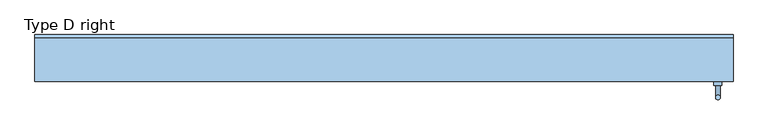
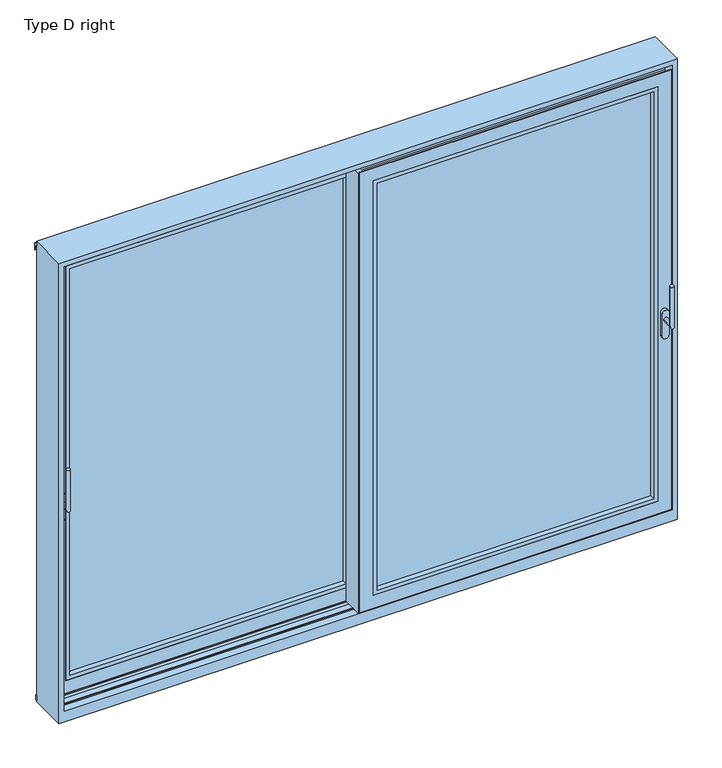
"""IFC4 building model written with IfcOpenShell, lengths in millimetres: window geometry, Type D right."""

from ifc_helpers import new_model, si_unit, point, frame, frame_2d, origin, place, context, project, spatial, polyline, circle_curve, ellipse_curve, trimmed, segment, composite_curve, outline, extrude, faceted_brep, source, transform, mapped, element, save
from ifc_brep_helpers import plane_surface, cylinder_surface, advanced_brep


def type_d_right_c8cfe82b(model_context):
    return source(origin(), model_context, "Body", "SolidModel", [
        advanced_brep(
        [(-1435.0, -6.0, 995.0), (-1415.0, -6.0, 995.0), (-1435.0, -58.0, 995.0), (-1415.0, -58.0, 995.0), (-1435.0, -58.0, 1195.0), (-1415.0, -58.0, 1195.0)],
        [
            (0, 1, circle_curve(frame((-1425.0, -6.0, 995.0), z_axis=(0.0, 1.0, 0.0), x_axis=(1.0000000000000009, 0.0, 0.0)), 10.0)),
            (1, 0, circle_curve(frame((-1425.0, -6.0, 995.0), z_axis=(0.0, 1.0, 0.0), x_axis=(1.0000000000000009, 0.0, 0.0)), 10.0)),
            (0, 2),
            (2, 3, ellipse_curve(frame((-1425.0, -58.0, 995.0), z_axis=(0.0, 0.7071067811865475, -0.7071067811865475), x_axis=(0.0, 0.7071067811865476, 0.7071067811865474)), 14.1421356, 10.0)),
            (3, 1),
            (3, 2, ellipse_curve(frame((-1425.0, -58.0, 995.0), z_axis=(0.0, 0.7071067811865475, -0.7071067811865475), x_axis=(0.0, 0.7071067811865476, 0.7071067811865474)), 14.1421356, 10.0)),
            (4, 5, circle_curve(frame((-1425.0, -58.0, 1195.0), z_axis=(0.0, 0.0, 1.0), x_axis=(1.0000000000000009, 0.0, 0.0)), 10.0)),
            (5, 4, circle_curve(frame((-1425.0, -58.0, 1195.0), z_axis=(0.0, 0.0, 1.0), x_axis=(1.0000000000000009, 0.0, 0.0)), 10.0)),
            (2, 4),
            (5, 3),
        ],
        [
            plane_surface(frame((-1425.0, -6.0, 995.0), z_axis=(0.0, 1.0, 0.0), x_axis=(1.0, 0.0, 0.0))),
            cylinder_surface(frame((-1425.0, -6.0, 995.0), z_axis=(0.0, 1.0000000000000009, 0.0), x_axis=(1.0000000000000009, 0.0, 0.0)), 10.0),
            plane_surface(frame((-1425.0, -58.0, 1195.0), z_axis=(0.0, 0.0, 1.0), x_axis=(1.0, 0.0, 0.0))),
            cylinder_surface(frame((-1425.0, -58.0, 995.0), z_axis=(0.0, 0.0, -1.0), x_axis=(1.0000000000000009, 0.0, 0.0)), 10.0),
        ],
        [
            (0, [[1, 2]]),
            (1, [[-1, 3, 4, 5]]),
            (1, [[-2, -5, 6, -3]]),
            (2, [[7, 8]]),
            (3, [[-4, 9, -8, 10]]),
            (3, [[-6, -10, -7, -9]]),
        ],
    ),
        extrude(outline(composite_curve([segment(trimmed(circle_curve(frame_2d((913.2823932, -1425.0)), 16.75), [point((913.2823932, -1441.75))], [point((913.2823932, -1408.25))], False, "CARTESIAN"), True, "CONTINUOUS"), segment(polyline([(913.2823932, -1408.25), (1025.0099288, -1408.25)]), True, "CONTINUOUS"), segment(trimmed(circle_curve(frame_2d((1025.0099288, -1425.0)), 16.75), [point((1025.0099288, -1408.25))], [point((1025.0099288, -1441.75))], False, "CARTESIAN"), True, "CONTINUOUS"), segment(polyline([(1025.0099288, -1441.75), (913.2823932, -1441.75)]), True, "CONTINUOUS")], self_intersect=False)), frame((0.0, -6.0, 0.0), z_axis=(0.0, 1.0, 0.0), x_axis=(0.0, 0.0, 1.0)), (0.0, 0.0, 1.0), 16.0),
        extrude(outline(polyline([(-1446.5, 87.0), (-1446.5, 80.0), (-1465.0, 80.0), (-1465.0, 87.0), (-1446.5, 87.0)])), frame((0.0, 0.0, 18.5), z_axis=(0.0, 0.0, 1.0), x_axis=(1.0, 0.0, 0.0)), (0.0, 0.0, 1.0), 2211.5),
        extrude(outline(polyline([(-1446.5, 20.0), (-1446.5, 13.0), (-1465.0, 13.0), (-1465.0, 20.0), (-1446.5, 20.0)])), frame((0.0, 0.0, 18.5), z_axis=(0.0, 0.0, 1.0), x_axis=(1.0, 0.0, 0.0)), (0.0, 0.0, 1.0), 2211.5),
        extrude(outline(polyline([(0.0, -9.0), (0.0, -6.0013087), (6.0, -6.0013087), (6.0, 4.0), (-8.5, 4.0), (-8.5, 10.0), (39.5, 10.0), (39.5, 13.0), (24.5, 13.0), (24.5, 87.0), (41.5, 87.0), (41.5, 90.0), (47.5, 90.0), (47.5, -9.0), (0.0, -9.0)])), frame((0.0, 0.0, 3.5), z_axis=(0.0, 0.0, 1.0), x_axis=(1.0, 0.0, 0.0)), (0.0, 0.0, 1.0), 2241.5),
        faceted_brep([(-1461.5, 87.0, 2245.0), (-1461.5, 90.0, 2245.0), (-1461.5, 90.0, 3.5), (-1461.5, 87.0, 3.5), (39.5, 90.0, 3.5), (39.5, 87.0, 3.5), (39.5, 90.0, 2245.0), (-45.5, 90.0, 88.5), (-45.5, 90.0, 2160.0), (-1376.5, 90.0, 2160.0), (-1376.5, 90.0, 88.5), (39.5, 87.0, 2245.0), (-1446.5, 87.0, 18.5), (-1446.5, 87.0, 2230.0), (24.5, 87.0, 2230.0), (24.5, 87.0, 18.5), (-1461.5, 13.0, 3.5), (-1461.5, 13.0, 2245.0), (39.5, 13.0, 2245.0), (39.5, 13.0, 3.5), (24.5, 13.0, 18.5), (24.5, 13.0, 2230.0), (-1446.5, 13.0, 2230.0), (-1446.5, 13.0, 18.5), (-1461.5, 10.0, 2245.0), (-1461.5, 10.0, 3.5), (39.5, 10.0, 3.5), (39.5, 10.0, 2245.0), (-1396.5, 10.0, 68.5), (-1396.5, 10.0, 2180.0), (-25.5, 10.0, 2180.0), (-25.5, 10.0, 68.5), (-1396.5, 82.0, 2180.0), (-1396.5, 82.0, 68.5), (-25.5, 82.0, 68.5), (-25.5, 82.0, 2180.0), (-1376.5, 82.0, 88.5), (-1376.5, 82.0, 2160.0), (-45.5, 82.0, 2160.0), (-45.5, 82.0, 88.5)], [[[0, 1, 2, 3]], [[3, 2, 4, 5]], [[2, 1, 6, 4], [7, 8, 9, 10]], [[5, 4, 6, 11]], [[5, 11, 0, 3], [12, 13, 14, 15]], [[16, 17, 18, 19], [20, 21, 22, 23]], [[24, 17, 16, 25]], [[25, 16, 19, 26]], [[26, 19, 18, 27]], [[26, 27, 24, 25], [28, 29, 30, 31]], [[32, 29, 28, 33]], [[33, 28, 31, 34]], [[34, 31, 30, 35]], [[34, 35, 32, 33], [36, 37, 38, 39]], [[9, 37, 36, 10]], [[10, 36, 39, 7]], [[7, 39, 38, 8]], [[11, 6, 1, 0]], [[27, 18, 17, 24]], [[35, 30, 29, 32]], [[8, 38, 37, 9]], [[22, 13, 12, 23]], [[20, 15, 14, 21]], [[23, 12, 15, 20]], [[21, 14, 13, 22]]]),
        extrude(outline(polyline([(2180.0, -1396.5), (68.5, -1396.5), (68.5, -25.5), (2180.0, -25.5), (2180.0, -1396.5)]), holes=[polyline([(2160.0, -45.5), (88.5, -45.5), (88.5, -1376.5), (2160.0, -1376.5), (2160.0, -45.5)])]), frame((0.0, 10.5, 0.0), z_axis=(0.0, 1.0, 0.0), x_axis=(0.0, 0.0, 1.0)), (0.0, 0.0, 1.0), 25.5),
        extrude(outline(polyline([(-1396.5, 82.0), (-25.5, 82.0), (-25.5, 36.0), (-1396.5, 36.0), (-1396.5, 82.0)])), frame((0.0, 0.0, 68.5), z_axis=(0.0, 0.0, 1.0), x_axis=(1.0, 0.0, 0.0)), (0.0, 0.0, 1.0), 2111.5),
        extrude(outline(polyline([(24.5, 59.0), (24.5, 41.0), (-1446.5, 41.0), (-1446.5, 59.0), (24.5, 59.0)])), frame((0.0, 0.0, 2230.0), z_axis=(0.0, 0.0, 1.0), x_axis=(1.0, 0.0, 0.0)), (0.0, 0.0, 1.0), 20.0),
        advanced_brep(
        [(1435.0, -111.0, 995.0), (1415.0, -111.0, 995.0), (1415.0, -163.0, 995.0), (1435.0, -163.0, 995.0), (1435.0, -163.0, 1195.0), (1415.0, -163.0, 1195.0)],
        [
            (0, 1, circle_curve(frame((1425.0, -111.0, 995.0), z_axis=(0.0, 1.0, 0.0), x_axis=(-1.0000000000000009, 0.0, 0.0)), 10.0)),
            (1, 0, circle_curve(frame((1425.0, -111.0, 995.0), z_axis=(0.0, 1.0, 0.0), x_axis=(-1.0000000000000009, 0.0, 0.0)), 10.0)),
            (1, 2),
            (2, 3, ellipse_curve(frame((1425.0, -163.0, 995.0), z_axis=(0.0, 0.7071067811865475, -0.7071067811865475), x_axis=(0.0, 0.7071067811865476, 0.7071067811865474)), 14.1421356, 10.0)),
            (3, 0),
            (3, 2, ellipse_curve(frame((1425.0, -163.0, 995.0), z_axis=(0.0, 0.7071067811865475, -0.7071067811865475), x_axis=(0.0, 0.7071067811865476, 0.7071067811865474)), 14.1421356, 10.0)),
            (4, 5, circle_curve(frame((1425.0, -163.0, 1195.0), z_axis=(0.0, 0.0, 1.0), x_axis=(-1.0000000000000009, 0.0, 0.0)), 10.0)),
            (5, 4, circle_curve(frame((1425.0, -163.0, 1195.0), z_axis=(0.0, 0.0, 1.0), x_axis=(-1.0000000000000009, 0.0, 0.0)), 10.0)),
            (2, 5),
            (4, 3),
        ],
        [
            plane_surface(frame((1425.0, -111.0, 995.0), z_axis=(0.0, 1.0, 0.0), x_axis=(-1.0, 0.0, 0.0))),
            cylinder_surface(frame((1425.0, -111.0, 995.0), z_axis=(0.0, 1.0000000000000009, 0.0), x_axis=(-1.0000000000000009, 0.0, 0.0)), 10.0),
            plane_surface(frame((1425.0, -163.0, 1195.0), z_axis=(0.0, 0.0, 1.0), x_axis=(-1.0, 0.0, 0.0))),
            cylinder_surface(frame((1425.0, -163.0, 995.0), z_axis=(0.0, 0.0, -1.0), x_axis=(-1.0000000000000009, 0.0, 0.0)), 10.0),
        ],
        [
            (0, [[1, 2]]),
            (1, [[3, 4, 5, -2]]),
            (1, [[-5, 6, -3, -1]]),
            (2, [[7, 8]]),
            (3, [[9, -7, 10, -4]]),
            (3, [[-10, -8, -9, -6]]),
        ],
    ),
        extrude(outline(composite_curve([segment(polyline([(913.2823932, 1441.75), (1025.0099288, 1441.75)]), True, "CONTINUOUS"), segment(trimmed(circle_curve(frame_2d((1025.0099288, 1425.0)), 16.75), [point((1025.0099288, 1441.75))], [point((1025.0099288, 1408.25))], False, "CARTESIAN"), True, "CONTINUOUS"), segment(polyline([(1025.0099288, 1408.25), (913.2823932, 1408.25)]), True, "CONTINUOUS"), segment(trimmed(circle_curve(frame_2d((913.2823932, 1425.0)), 16.75), [point((913.2823932, 1408.25))], [point((913.2823932, 1441.75))], False, "CARTESIAN"), True, "CONTINUOUS")], self_intersect=False)), frame((0.0, -111.0, 0.0), z_axis=(0.0, 1.0, 0.0), x_axis=(0.0, 0.0, 1.0)), (0.0, 0.0, 1.0), 16.0),
        extrude(outline(polyline([(1446.5, -18.0), (1465.0, -18.0), (1465.0, -25.0), (1446.5, -25.0), (1446.5, -18.0)])), frame((0.0, 0.0, 18.5), z_axis=(0.0, 0.0, 1.0), x_axis=(1.0, 0.0, 0.0)), (0.0, 0.0, 1.0), 2211.5),
        extrude(outline(polyline([(1446.5, -85.0), (1465.0, -85.0), (1465.0, -92.0), (1446.5, -92.0), (1446.5, -85.0)])), frame((0.0, 0.0, 18.5), z_axis=(0.0, 0.0, 1.0), x_axis=(1.0, 0.0, 0.0)), (0.0, 0.0, 1.0), 2211.5),
        extrude(outline(polyline([(-47.5, 4.0), (0.0, 4.0), (0.0, 1.0013087), (-6.0, 1.0013087), (-6.0, -9.0), (8.5, -9.0), (8.5, -15.0), (-39.5, -15.0), (-39.5, -18.0), (-24.5, -18.0), (-24.5, -92.0), (-41.5, -92.0), (-41.5, -95.0), (-47.5, -95.0), (-47.5, 4.0)])), frame((0.0, 0.0, 3.5), z_axis=(0.0, 0.0, 1.0), x_axis=(1.0, 0.0, 0.0)), (0.0, 0.0, 1.0), 2241.5),
        faceted_brep([(1461.5, -18.0, 2245.0), (1461.5, -18.0, 3.5), (1461.5, -15.0, 3.5), (1461.5, -15.0, 2245.0), (-39.5, -18.0, 3.5), (-39.5, -15.0, 3.5), (-39.5, -15.0, 2245.0), (45.5, -15.0, 88.5), (1376.5, -15.0, 88.5), (1376.5, -15.0, 2160.0), (45.5, -15.0, 2160.0), (-39.5, -18.0, 2245.0), (1446.5, -18.0, 18.5), (-24.5, -18.0, 18.5), (-24.5, -18.0, 2230.0), (1446.5, -18.0, 2230.0), (1461.5, -92.0, 3.5), (-39.5, -92.0, 3.5), (-39.5, -92.0, 2245.0), (1461.5, -92.0, 2245.0), (-24.5, -92.0, 18.5), (1446.5, -92.0, 18.5), (1446.5, -92.0, 2230.0), (-24.5, -92.0, 2230.0), (1461.5, -95.0, 2245.0), (1461.5, -95.0, 3.5), (-39.5, -95.0, 3.5), (-39.5, -95.0, 2245.0), (1396.5, -95.0, 68.5), (25.5, -95.0, 68.5), (25.5, -95.0, 2180.0), (1396.5, -95.0, 2180.0), (1396.5, -23.0, 2180.0), (1396.5, -23.0, 68.5), (25.5, -23.0, 68.5), (25.5, -23.0, 2180.0), (1376.5, -23.0, 88.5), (45.5, -23.0, 88.5), (45.5, -23.0, 2160.0), (1376.5, -23.0, 2160.0)], [[[0, 1, 2, 3]], [[1, 4, 5, 2]], [[2, 5, 6, 3], [7, 8, 9, 10]], [[4, 11, 6, 5]], [[4, 1, 0, 11], [12, 13, 14, 15]], [[16, 17, 18, 19], [20, 21, 22, 23]], [[24, 25, 16, 19]], [[25, 26, 17, 16]], [[26, 27, 18, 17]], [[26, 25, 24, 27], [28, 29, 30, 31]], [[32, 33, 28, 31]], [[33, 34, 29, 28]], [[34, 35, 30, 29]], [[34, 33, 32, 35], [36, 37, 38, 39]], [[9, 8, 36, 39]], [[8, 7, 37, 36]], [[7, 10, 38, 37]], [[11, 0, 3, 6]], [[27, 24, 19, 18]], [[35, 32, 31, 30]], [[10, 9, 39, 38]], [[22, 21, 12, 15]], [[20, 23, 14, 13]], [[21, 20, 13, 12]], [[23, 22, 15, 14]]]),
        extrude(outline(polyline([(2180.0, 1396.5), (2180.0, 25.5), (68.5, 25.5), (68.5, 1396.5), (2180.0, 1396.5)]), holes=[polyline([(2160.0, 45.5), (2160.0, 1376.5), (88.5, 1376.5), (88.5, 45.5), (2160.0, 45.5)])]), frame((0.0, -94.5, 0.0), z_axis=(0.0, 1.0, 0.0), x_axis=(0.0, 0.0, 1.0)), (0.0, 0.0, 1.0), 25.5),
        extrude(outline(polyline([(1396.5, -23.0), (1396.5, -69.0), (25.5, -69.0), (25.5, -23.0), (1396.5, -23.0)])), frame((0.0, 0.0, 68.5), z_axis=(0.0, 0.0, 1.0), x_axis=(1.0, 0.0, 0.0)), (0.0, 0.0, 1.0), 2111.5),
        extrude(outline(polyline([(-24.5, -46.0), (1446.5, -46.0), (1446.5, -64.0), (-24.5, -64.0), (-24.5, -46.0)])), frame((0.0, 0.0, 2230.0), z_axis=(0.0, 0.0, 1.0), x_axis=(1.0, 0.0, 0.0)), (0.0, 0.0, 1.0), 20.0),
        extrude(outline(polyline([(90.0, -24.1943734), (97.0, -24.5), (97.0, -49.0), (90.0, -49.0), (90.0, -24.1943734)])), frame((-1490.0, 0.0, 0.0), z_axis=(1.0, 0.0, 0.0), x_axis=(0.0, 1.0, 0.0)), (0.0, 0.0, 1.0), 2980.0),
        extrude(outline(polyline([(105.0003684, 2275.1806742), (105.0003684, 2239.2221261), (103.0003684, 2239.2221261), (103.0003684, 2265.2221261), (90.0003684, 2265.2221261), (90.0003684, 2283.8409282), (105.0003684, 2275.1806742)])), frame((-1490.0, 0.0, 0.0), z_axis=(1.0, 0.0, 0.0), x_axis=(0.0, 1.0, 0.0)), (0.0, 0.0, 1.0), 2980.0),
        faceted_brep([(1490.0, -95.0, -55.0), (1490.0, 90.0, -55.0), (1490.0, 90.0, 2290.0), (1490.0, -95.0, 2290.0), (-1490.0, -95.0, 2290.0), (-1490.0, 90.0, 2290.0), (-1490.0, 90.0, -55.0), (-1490.0, -95.0, -55.0), (1465.0, -15.0, 2265.0), (1465.0, -15.0, 0.0), (1465.0, -52.5, 0.0), (1465.0, -52.5, 5.0), (1465.0, -57.5, 5.0), (1465.0, -57.5, 0.0), (1465.0, -95.0, 0.0), (1465.0, -95.0, 2265.0), (-1465.0, -95.0, 2265.0), (-1465.0, -95.0, 0.0), (-1465.0, -57.5, 0.0), (-1465.0, -57.5, 5.0), (-1465.0, -52.5, 5.0), (-1465.0, -52.5, 0.0), (-1465.0, -15.0, 0.0), (-1465.0, -15.0, 2265.0), (1467.0, 10.0, 2267.0), (1467.0, 10.0, 0.0), (1467.0, 9.8, 0.0), (1467.0, 9.8, -4.0), (1467.0, -14.8, -4.0), (1467.0, -14.8, 0.0), (1467.0, -15.0, 0.0), (1467.0, -15.0, 2267.0), (-1467.0, -15.0, 2267.0), (-1467.0, -15.0, 0.0), (-1467.0, -14.8, 0.0), (-1467.0, -14.8, -4.0), (-1467.0, 9.8, -4.0), (-1467.0, 9.8, 0.0), (-1467.0, 10.0, 0.0), (-1467.0, 10.0, 2267.0), (1465.0, 90.0, 2265.0), (1465.0, 90.0, 0.0), (1465.0, 52.5, 0.0), (1465.0, 52.5, 5.0), (1465.0, 47.5, 5.0), (1465.0, 47.5, 0.0), (1465.0, 10.0, 0.0), (1465.0, 10.0, 2265.0), (-1465.0, 10.0, 2265.0), (-1465.0, 10.0, 0.0), (-1465.0, 47.5, 0.0), (-1465.0, 47.5, 5.0), (-1465.0, 52.5, 5.0), (-1465.0, 52.5, 0.0), (-1465.0, 90.0, 0.0), (-1465.0, 90.0, 2265.0)], [[[0, 1, 2, 3]], [[4, 5, 6, 7]], [[8, 9, 10, 11, 12, 13, 14, 15]], [[16, 17, 18, 19, 20, 21, 22, 23]], [[24, 25, 26, 27, 28, 29, 30, 31]], [[32, 33, 34, 35, 36, 37, 38, 39]], [[40, 41, 42, 43, 44, 45, 46, 47]], [[48, 49, 50, 51, 52, 53, 54, 55]], [[4, 3, 2, 5]], [[16, 23, 8, 15]], [[32, 39, 24, 31]], [[48, 55, 40, 47]], [[6, 1, 0, 7]], [[0, 3, 4, 7], [16, 15, 14, 17]], [[6, 5, 2, 1], [40, 55, 54, 41]], [[14, 13, 18, 17]], [[23, 22, 33, 32, 31, 30, 9, 8]], [[10, 9, 30, 29, 34, 33, 22, 21]], [[11, 10, 21, 20]], [[12, 11, 20, 19]], [[13, 12, 19, 18]], [[39, 38, 49, 48, 47, 46, 25, 24]], [[54, 53, 42, 41]], [[43, 42, 53, 52]], [[44, 43, 52, 51]], [[45, 44, 51, 50]], [[50, 49, 38, 37, 26, 25, 46, 45]], [[27, 26, 37, 36]], [[28, 27, 36, 35]], [[29, 28, 35, 34]]]),
        extrude(outline(polyline([(-44.0, 2244.0917893), (-44.0, 2262.0), (-66.0, 2262.0), (-66.0, 2244.0917893), (-69.0, 2244.0917893), (-69.0, 2265.0), (-41.0, 2265.0), (-41.0, 2244.0917893), (-44.0, 2244.0917893)])), frame((-1465.0, 0.0, 0.0), z_axis=(1.0, 0.0, 0.0), x_axis=(0.0, 1.0, 0.0)), (0.0, 0.0, 1.0), 2930.0),
        extrude(outline(polyline([(61.0, 2244.0917893), (61.0, 2262.0), (39.0, 2262.0), (39.0, 2244.0917893), (36.0, 2244.0917893), (36.0, 2265.0), (64.0, 2265.0), (64.0, 2244.0917893), (61.0, 2244.0917893)])), frame((-1465.0, 0.0, 0.0), z_axis=(1.0, 0.0, 0.0), x_axis=(0.0, 1.0, 0.0)), (0.0, 0.0, 1.0), 2930.0),
    ])


if __name__ == "__main__":
    model = new_model("IFC4")
    model_context = context("Model", 3, world=origin())
    ifc_project = project(units=[si_unit("LENGTHUNIT", "METRE", prefix="MILLI")], contexts=[model_context])
    site = spatial("IfcSite", under=ifc_project)
    building = spatial("IfcBuilding", under=site)
    placement = place(None, origin())
    type_d_right_shape = type_d_right_c8cfe82b(model_context)
    element("IfcWindow", 1, ObjectType="Type D right", at=placement, inside=building, context=model_context, shape_type="MappedRepresentation", body=[
        mapped(type_d_right_shape, transform((0.0, 0.0, 0.0), x_axis=(1.0, 0.0, 0.0), y_axis=(0.0, 1.0, 0.0), z_axis=(0.0, 0.0, 1.0))),
    ])
    save(model, "model.ifc")
